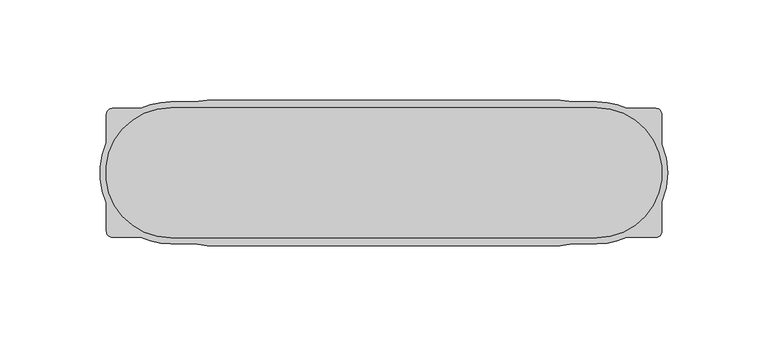
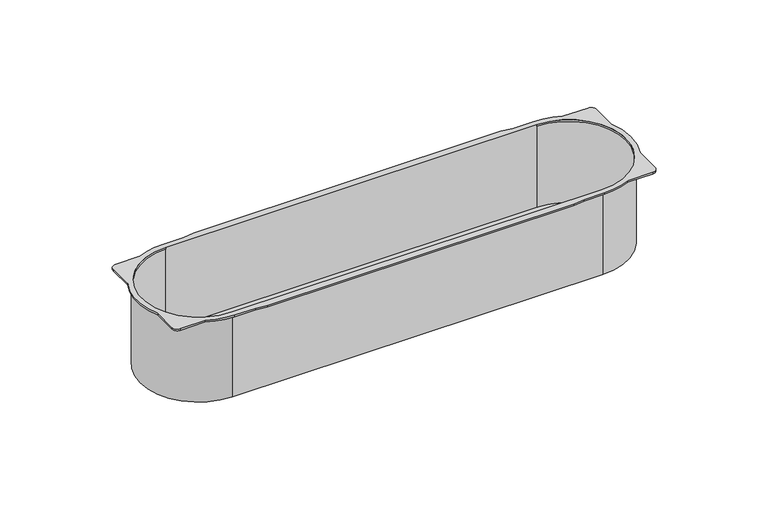
"""IFC4 building model written with IfcOpenShell, lengths in millimetres: proxy geometry."""

from ifc_helpers import new_model, si_unit, point, frame, frame_2d, origin, place, context, project, spatial, polyline, circle_curve, trimmed, segment, composite_curve, outline, extrude, source, transform, mapped, element, save
from ifc_brep_helpers import plane_surface, cylinder_surface, revolved_surface, advanced_brep


def electrical_fixtures_0f2b1720(model_context):
    return source(origin(), model_context, "Body", "SolidModel", [
        advanced_brep(
        [(-106.5, 33.5, -50.0), (106.5, 33.5, -50.0), (106.5, -33.5, -50.0), (-106.5, -33.5, -50.0), (-106.5, 32.5, -50.0), (-106.5, -32.5, -50.0), (106.5, -32.5, -50.0), (106.5, 32.5, -50.0), (138.9713136, -14.3479544, 1.0), (138.9713136, 14.3479544, 1.0), (138.9713136, 29.1875, 1.0), (135.9713136, 32.1875, 1.0), (121.4738053, 32.1875, 1.0), (106.5, 35.5, 1.0), (94.5169757, 35.5, 1.0), (88.1770276, 36.4, 1.0), (-88.1783104, 36.4, 1.0), (-94.5182585, 35.5, 1.0), (-106.5, 35.5, 1.0), (-121.4738053, 32.1875, 1.0), (-135.6875, 32.1875, 1.0), (-138.6875, 29.1875, 1.0), (-138.6875, 14.9738053, 1.0), (-138.6875, -14.9738053, 1.0), (-138.6875, -29.1875, 1.0), (-135.6875, -32.1875, 1.0), (-121.4738053, -32.1875, 1.0), (-106.5, -35.5, 1.0), (-94.5182585, -35.5, 1.0), (-88.1783104, -36.4, 1.0), (88.1770276, -36.4, 1.0), (94.5169757, -35.5, 1.0), (106.5, -35.5, 1.0), (121.4738053, -32.1875, 1.0), (135.9713136, -32.1875, 1.0), (138.9713136, -29.1875, 1.0), (106.5, 32.5, 1.0), (106.5, -32.5, 1.0), (-106.5, -32.5, 1.0), (-106.5, 32.5, 1.0), (138.9713136, -14.3479544, 0.0), (138.9713136, -29.1875, 0.0), (135.9713136, -32.1875, 0.0), (121.4738053, -32.1875, 0.0), (106.5, -35.5, 0.0), (94.5169757, -35.5, 0.0), (88.1770276, -36.4, 0.0), (-88.1783104, -36.4, 0.0), (-94.5182585, -35.5, 0.0), (-106.5, -35.5, 0.0), (-121.4738053, -32.1875, 0.0), (-135.6875, -32.1875, 0.0), (-138.6875, -29.1875, 0.0), (-138.6875, -14.9738053, 0.0), (-138.6875, 14.9738053, 0.0), (-138.6875, 29.1875, 0.0), (-135.6875, 32.1875, 0.0), (-121.4738053, 32.1875, 0.0), (-106.5, 35.5, 0.0), (-94.5182585, 35.5, 0.0), (-88.1783104, 36.4, 0.0), (88.1770276, 36.4, 0.0), (94.5169757, 35.5, 0.0), (106.5, 35.5, 0.0), (121.4738053, 32.1875, 0.0), (135.9713136, 32.1875, 0.0), (138.9713136, 29.1875, 0.0), (138.9713136, 14.3479544, 0.0), (-106.5, 33.5, 0.0), (-106.5, -33.5, 0.0), (106.5, -33.5, 0.0), (106.5, 33.5, 0.0), (106.5, 32.5, 0.0), (106.5, -32.5, 0.0), (-106.5, -32.5, 0.0), (-106.5, 32.5, 0.0)],
        [
            (0, 1),
            (1, 2, circle_curve(frame((106.5, 0.0, -50.0), z_axis=(0.0, 0.0, -1.0), x_axis=(1.0, 0.0, 0.0)), 33.5)),
            (2, 3),
            (3, 0, circle_curve(frame((-106.5, 0.0, -50.0), z_axis=(0.0, 0.0, -1.0), x_axis=(-1.0, 0.0, 0.0)), 33.5)),
            (4, 5, circle_curve(frame((-106.5, 0.0, -50.0), z_axis=(0.0, 0.0, 1.0), x_axis=(-1.0, 0.0, 0.0)), 32.5)),
            (5, 6),
            (6, 7, circle_curve(frame((106.5, 0.0, -50.0), z_axis=(0.0, 0.0, 1.0), x_axis=(1.0, 0.0, 0.0)), 32.5)),
            (7, 4),
            (8, 9, circle_curve(frame((106.5, 0.0, 1.0), z_axis=(0.0, 0.0, 1.0), x_axis=(1.0, 0.0, 0.0)), 35.5)),
            (9, 10),
            (10, 11, circle_curve(frame((135.9713136, 29.1875, 1.0), z_axis=(0.0, 0.0, 1.0), x_axis=(-1.0, 0.0, 0.0)), 3.0)),
            (11, 12),
            (12, 13, circle_curve(frame((106.5, 0.0, 1.0), z_axis=(0.0, 0.0, 1.0), x_axis=(1.0, 0.0, 0.0)), 35.5)),
            (13, 14),
            (14, 15),
            (15, 16),
            (16, 17),
            (17, 18),
            (18, 19, circle_curve(frame((-106.5, 0.0, 1.0), z_axis=(0.0, 0.0, 1.0), x_axis=(-1.0, 0.0, 0.0)), 35.5)),
            (19, 20),
            (20, 21, circle_curve(frame((-135.6875, 29.1875, 1.0), z_axis=(0.0, 0.0, 1.0), x_axis=(1.0, 0.0, 0.0)), 3.0)),
            (21, 22),
            (22, 23, circle_curve(frame((-106.5, 0.0, 1.0), z_axis=(0.0, 0.0, 1.0), x_axis=(-1.0, 0.0, 0.0)), 35.5)),
            (23, 24),
            (24, 25, circle_curve(frame((-135.6875, -29.1875, 1.0), z_axis=(0.0, 0.0, 1.0), x_axis=(1.0, 0.0, 0.0)), 3.0)),
            (25, 26),
            (26, 27, circle_curve(frame((-106.5, 0.0, 1.0), z_axis=(0.0, 0.0, 1.0), x_axis=(-1.0, 0.0, 0.0)), 35.5)),
            (27, 28),
            (28, 29),
            (29, 30),
            (30, 31),
            (31, 32),
            (32, 33, circle_curve(frame((106.5, 0.0, 1.0), z_axis=(0.0, 0.0, 1.0), x_axis=(1.0, 0.0, 0.0)), 35.5)),
            (33, 34),
            (34, 35, circle_curve(frame((135.9713136, -29.1875, 1.0), z_axis=(0.0, 0.0, 1.0), x_axis=(-1.0, 0.0, 0.0)), 3.0)),
            (35, 8),
            (36, 37, circle_curve(frame((106.5, 0.0, 1.0), z_axis=(0.0, 0.0, -1.0), x_axis=(1.0, 0.0, 0.0)), 32.5)),
            (37, 38),
            (38, 39, circle_curve(frame((-106.5, 0.0, 1.0), z_axis=(0.0, 0.0, -1.0), x_axis=(-1.0, 0.0, 0.0)), 32.5)),
            (39, 36),
            (40, 41),
            (41, 42, circle_curve(frame((135.9713136, -29.1875, 0.0), z_axis=(0.0, 0.0, -1.0), x_axis=(-1.0, 0.0, 0.0)), 3.0)),
            (42, 43),
            (43, 44, circle_curve(frame((106.5, 0.0, 0.0), z_axis=(0.0, 0.0, -1.0), x_axis=(1.0, 0.0, 0.0)), 35.5)),
            (44, 45),
            (45, 46),
            (46, 47),
            (47, 48),
            (48, 49),
            (49, 50, circle_curve(frame((-106.5, 0.0, 0.0), z_axis=(0.0, 0.0, -1.0), x_axis=(-1.0, 0.0, 0.0)), 35.5)),
            (50, 51),
            (51, 52, circle_curve(frame((-135.6875, -29.1875, 0.0), z_axis=(0.0, 0.0, -1.0), x_axis=(1.0, 0.0, 0.0)), 3.0)),
            (52, 53),
            (53, 54, circle_curve(frame((-106.5, 0.0, 0.0), z_axis=(0.0, 0.0, -1.0), x_axis=(-1.0, 0.0, 0.0)), 35.5)),
            (54, 55),
            (55, 56, circle_curve(frame((-135.6875, 29.1875, 0.0), z_axis=(0.0, 0.0, -1.0), x_axis=(1.0, 0.0, 0.0)), 3.0)),
            (56, 57),
            (57, 58, circle_curve(frame((-106.5, 0.0, 0.0), z_axis=(0.0, 0.0, -1.0), x_axis=(-1.0, 0.0, 0.0)), 35.5)),
            (58, 59),
            (59, 60),
            (60, 61),
            (61, 62),
            (62, 63),
            (63, 64, circle_curve(frame((106.5, 0.0, 0.0), z_axis=(0.0, 0.0, -1.0), x_axis=(1.0, 0.0, 0.0)), 35.5)),
            (64, 65),
            (65, 66, circle_curve(frame((135.9713136, 29.1875, 0.0), z_axis=(0.0, 0.0, -1.0), x_axis=(-1.0, 0.0, 0.0)), 3.0)),
            (66, 67),
            (67, 40, circle_curve(frame((106.5, 0.0, 0.0), z_axis=(0.0, 0.0, -1.0), x_axis=(1.0, 0.0, 0.0)), 35.5)),
            (68, 69, circle_curve(frame((-106.5, 0.0, 0.0), z_axis=(0.0, 0.0, 1.0), x_axis=(-1.0, 0.0, 0.0)), 33.5)),
            (69, 70),
            (70, 71, circle_curve(frame((106.5, 0.0, 0.0), z_axis=(0.0, 0.0, 1.0), x_axis=(1.0, 0.0, 0.0)), 33.5)),
            (71, 68),
            (35, 41),
            (40, 8),
            (10, 66),
            (65, 11),
            (64, 12),
            (33, 43),
            (42, 34),
            (9, 67),
            (63, 13),
            (32, 44),
            (62, 14),
            (18, 58),
            (57, 19),
            (56, 20),
            (55, 21),
            (54, 22),
            (53, 23),
            (52, 24),
            (51, 25),
            (50, 26),
            (49, 27),
            (31, 45),
            (36, 72),
            (72, 73, circle_curve(frame((106.5, 0.0, 0.0), z_axis=(0.0, 0.0, -1.0), x_axis=(1.0, 0.0, 0.0)), 32.5)),
            (73, 37),
            (38, 74),
            (74, 75, circle_curve(frame((-106.5, 0.0, 0.0), z_axis=(0.0, 0.0, -1.0), x_axis=(-1.0, 0.0, 0.0)), 32.5)),
            (75, 39),
            (3, 69),
            (68, 0),
            (2, 70),
            (1, 71),
            (7, 72),
            (75, 4),
            (6, 73),
            (5, 74),
            (61, 15),
            (60, 16),
            (59, 17),
            (48, 28),
            (47, 29),
            (46, 30),
        ],
        [
            plane_surface(frame((-140.0, 0.0, -50.0), z_axis=(0.0, 0.0, -1.0), x_axis=(0.0, 1.0, 0.0))),
            plane_surface(frame((142.0, 0.0, 1.0), z_axis=(0.0, 0.0, 1.0), x_axis=(0.0, 1.0, 0.0))),
            plane_surface(frame((142.0, 0.0, 0.0), z_axis=(0.0, 0.0, -1.0), x_axis=(0.0, -1.0, 0.0))),
            plane_surface(frame((138.9713136, -29.1875, 1.0), z_axis=(1.0, 0.0, 0.0), x_axis=(0.0, 0.0, -1.0))),
            cylinder_surface(frame((135.9713136, 29.1875, 0.0), z_axis=(0.0, 0.0, 1.0), x_axis=(-1.0, 0.0, 0.0)), 3.0),
            plane_surface(frame((135.9713136, 32.1875, 1.0), z_axis=(0.0, 1.0, 0.0), x_axis=(0.0, 0.0, -1.0))),
            plane_surface(frame((121.4738053, -32.1875, 1.0), z_axis=(0.0, -1.0, 0.0), x_axis=(0.0, 0.0, -1.0))),
            cylinder_surface(frame((135.9713136, -29.1875, 0.0), z_axis=(0.0, 0.0, 1.0), x_axis=(-1.0, 0.0, 0.0)), 3.0),
            plane_surface(frame((138.9713136, 14.3479544, 1.0), z_axis=(1.0, 0.0, 0.0), x_axis=(0.0, 0.0, -1.0))),
            cylinder_surface(frame((106.5, 0.0, 0.0), z_axis=(0.0, 0.0, 1.0), x_axis=(1.0, 0.0, 0.0)), 35.5),
            plane_surface(frame((106.5, 35.5, 1.0), z_axis=(0.0, 1.0, 0.0), x_axis=(0.0, 0.0, -1.0))),
            cylinder_surface(frame((-106.5, 0.0, 0.0), z_axis=(0.0, 0.0, 1.0), x_axis=(-1.0, 0.0, 0.0)), 35.5),
            plane_surface(frame((-121.4738053, 32.1875, 1.0), z_axis=(0.0, 1.0, 0.0), x_axis=(0.0, 0.0, -1.0))),
            cylinder_surface(frame((-135.6875, 29.1875, 0.0), z_axis=(0.0, 0.0, 1.0), x_axis=(1.0, 0.0, 0.0)), 3.0),
            plane_surface(frame((-138.6875, 29.1875, 1.0), z_axis=(-1.0, 0.0, 0.0), x_axis=(0.0, 0.0, -1.0))),
            plane_surface(frame((-138.6875, -14.9738053, 1.0), z_axis=(-1.0, 0.0, 0.0), x_axis=(0.0, 0.0, -1.0))),
            cylinder_surface(frame((-135.6875, -29.1875, 0.0), z_axis=(0.0, 0.0, 1.0), x_axis=(1.0, 0.0, 0.0)), 3.0),
            plane_surface(frame((-135.6875, -32.1875, 1.0), z_axis=(0.0, -1.0, 0.0), x_axis=(0.0, 0.0, -1.0))),
            plane_surface(frame((94.5169757, -35.5, 1.0), z_axis=(0.0, -1.0, 0.0), x_axis=(0.0, 0.0, -1.0))),
            revolved_surface(polyline([(139.0, 0.0, 0.0), (139.0, 0.0, 1.0)]), (106.5, 0.0, 0.0), (0.0, 0.0, -1.0)),
            revolved_surface(polyline([(-139.0, 0.0, 0.0), (-139.0, 0.0, 1.0)]), (-106.5, 0.0, 0.0), (0.0, 0.0, -1.0)),
            cylinder_surface(frame((-106.5, 0.0, -50.0), z_axis=(0.0, 0.0, 1.0), x_axis=(-1.0, 0.0, 0.0)), 33.5),
            plane_surface(frame((-106.5, -33.5, 0.0), z_axis=(0.0, -1.0, 0.0), x_axis=(0.0, 0.0, -1.0))),
            cylinder_surface(frame((106.5, 0.0, -50.0), z_axis=(0.0, 0.0, 1.0), x_axis=(1.0, 0.0, 0.0)), 33.5),
            plane_surface(frame((106.5, 33.5, 0.0), z_axis=(0.0, 1.0, 0.0), x_axis=(0.0, 0.0, -1.0))),
            plane_surface(frame((-106.5, 32.5, 0.0), z_axis=(0.0, -1.0, 0.0), x_axis=(0.0, 0.0, -1.0))),
            revolved_surface(polyline([(139.0, 0.0, -50.0), (139.0, 0.0, 0.0)]), (106.5, 0.0, 0.0), (0.0, 0.0, -1.0)),
            plane_surface(frame((106.5, -32.5, 0.0), z_axis=(0.0, 1.0, 0.0), x_axis=(0.0, 0.0, -1.0))),
            revolved_surface(polyline([(-139.0, 0.0, -50.0), (-139.0, 0.0, 0.0)]), (-106.5, 0.0, 0.0), (0.0, 0.0, -1.0)),
            plane_surface(frame((94.5169757, 35.5, 1.0), z_axis=(0.14054791471914763, 0.990073877883918, 0.0), x_axis=(0.0, 0.0, -1.0))),
            plane_surface(frame((88.1770276, 36.4, 1.0), z_axis=(0.0, 1.0, 0.0), x_axis=(0.0, 0.0, -1.0))),
            plane_surface(frame((-88.1783104, 36.4, 1.0), z_axis=(-0.14054791471914835, 0.9900738778839179, 0.0), x_axis=(0.0, 0.0, -1.0))),
            plane_surface(frame((-94.5182585, 35.5, 1.0), z_axis=(0.0, 1.0, 0.0), x_axis=(0.0, 0.0, -1.0))),
            plane_surface(frame((-106.5, -35.5, 1.0), z_axis=(0.0, -1.0, 0.0), x_axis=(0.0, 0.0, -1.0))),
            plane_surface(frame((-94.5182585, -35.5, 1.0), z_axis=(-0.14054791471914777, -0.990073877883918, 0.0), x_axis=(0.0, 0.0, -1.0))),
            plane_surface(frame((-88.1783104, -36.4, 1.0), z_axis=(0.0, -1.0, 0.0), x_axis=(0.0, 0.0, -1.0))),
            plane_surface(frame((88.1770276, -36.4, 1.0), z_axis=(0.1405479147191463, -0.9900738778839182, 0.0), x_axis=(0.0, 0.0, -1.0))),
        ],
        [
            (0, [[1, 2, 3, 4], [5, 6, 7, 8]]),
            (1, [[9, 10, 11, 12, 13, 14, 15, 16, 17, 18, 19, 20, 21, 22, 23, 24, 25, 26, 27, 28, 29, 30, 31, 32, 33, 34, 35, 36], [37, 38, 39, 40]]),
            (2, [[41, 42, 43, 44, 45, 46, 47, 48, 49, 50, 51, 52, 53, 54, 55, 56, 57, 58, 59, 60, 61, 62, 63, 64, 65, 66, 67, 68], [69, 70, 71, 72]]),
            (3, [[-36, 73, -41, 74]]),
            (4, [[-11, 75, -66, 76]]),
            (5, [[-12, -76, -65, 77]]),
            (6, [[-34, 78, -43, 79]]),
            (7, [[-35, -79, -42, -73]]),
            (8, [[-10, 80, -67, -75]]),
            (9, [[-9, -74, -68, -80]]),
            (9, [[-13, -77, -64, 81]]),
            (9, [[-33, 82, -44, -78]]),
            (10, [[-14, -81, -63, 83]]),
            (11, [[-19, 84, -58, 85]]),
            (12, [[-20, -85, -57, 86]]),
            (13, [[-21, -86, -56, 87]]),
            (14, [[-22, -87, -55, 88]]),
            (11, [[-23, -88, -54, 89]]),
            (15, [[-24, -89, -53, 90]]),
            (16, [[-25, -90, -52, 91]]),
            (17, [[-26, -91, -51, 92]]),
            (11, [[-27, -92, -50, 93]]),
            (18, [[-32, 94, -45, -82]]),
            (19, [[-37, 95, 96, 97]]),
            (20, [[-39, 98, 99, 100]]),
            (21, [[-4, 101, -69, 102]]),
            (22, [[-3, 103, -70, -101]]),
            (23, [[-2, 104, -71, -103]]),
            (24, [[-1, -102, -72, -104]]),
            (25, [[-8, 105, -95, -40, -100, 106]]),
            (26, [[-7, 107, -96, -105]]),
            (27, [[-6, 108, -98, -38, -97, -107]]),
            (28, [[-5, -106, -99, -108]]),
            (29, [[-15, -83, -62, 109]]),
            (30, [[-16, -109, -61, 110]]),
            (31, [[-17, -110, -60, 111]]),
            (32, [[-18, -111, -59, -84]]),
            (33, [[-28, -93, -49, 112]]),
            (34, [[-29, -112, -48, 113]]),
            (35, [[-30, -113, -47, 114]]),
            (36, [[-31, -114, -46, -94]]),
        ],
    ),
        extrude(outline(composite_curve([segment(polyline([(-106.5, 32.5), (106.5, 32.5)]), True, "CONTINUOUS"), segment(trimmed(circle_curve(frame_2d((106.5, 0.0)), 32.5), [point((106.5, 32.5))], [point((106.5, -32.5))], False, "CARTESIAN"), True, "CONTINUOUS"), segment(polyline([(106.5, -32.5), (-106.5, -32.5)]), True, "CONTINUOUS"), segment(trimmed(circle_curve(frame_2d((-106.5, 0.0)), 32.5), [point((-106.5, -32.5))], [point((-106.5, 32.5))], False, "CARTESIAN"), True, "CONTINUOUS")], self_intersect=False)), frame((0.0, 0.0, -50.0), z_axis=(0.0, 0.0, 1.0), x_axis=(1.0, 0.0, 0.0)), (0.0, 0.0, 1.0), 1.0),
    ])


if __name__ == "__main__":
    model = new_model("IFC4")
    model_context = context("Model", 3, world=origin())
    ifc_project = project(units=[si_unit("LENGTHUNIT", "METRE", prefix="MILLI")], contexts=[model_context])
    site = spatial("IfcSite", under=ifc_project)
    building = spatial("IfcBuilding", under=site)
    placement = place(None, origin())
    electrical_fixtures_shape = electrical_fixtures_0f2b1720(model_context)
    element("IfcBuildingElementProxy", 1, Name="Electrical Fixtures", at=placement, inside=building, context=model_context, shape_type="MappedRepresentation", body=[
        mapped(electrical_fixtures_shape, transform((0.0, 0.0, 0.0), x_axis=(1.0, 0.0, 0.0), y_axis=(0.0, 1.0, 0.0), z_axis=(0.0, 0.0, 1.0))),
    ])
    save(model, "model.ifc")
